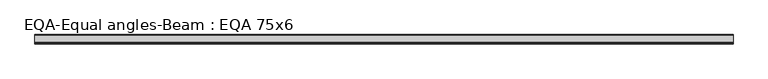
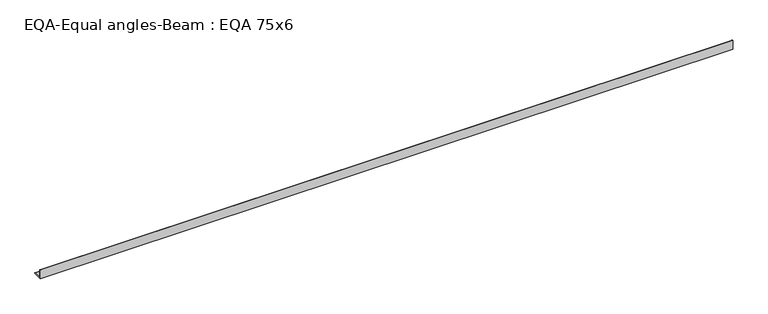
"""IFC4 building model written with IfcOpenShell, lengths in millimetres: beam geometry, EQA-Equal angles-Beam : EQA 75x6."""

from ifc_helpers import new_model, si_unit, point, frame, frame_2d, origin, place, context, project, spatial, polyline, circle_curve, trimmed, segment, composite_curve, outline, extrude, source, transform, mapped, element, save


def eqa_equal_angles_beam_eqa_75x6_0bb0bca7(model_context):
    return source(origin(), model_context, "Body", "SweptSolid", [
        extrude(outline(composite_curve([segment(polyline([(-20.5, -20.5), (-20.5, 54.5), (-19.0, 54.5)]), True, "CONTINUOUS"), segment(trimmed(circle_curve(frame_2d((-19.0, 50.0)), 4.5), [point((-19.0, 54.5))], [point((-14.5, 50.0))], False, "CARTESIAN"), True, "CONTINUOUS"), segment(polyline([(-14.5, 50.0), (-14.5, -5.5)]), True, "CONTINUOUS"), segment(trimmed(circle_curve(frame_2d((-5.5, -5.5)), 9.0), [point((-14.5, -5.5))], [point((-5.5, -14.5))], True, "CARTESIAN"), True, "CONTINUOUS"), segment(polyline([(-5.5, -14.5), (50.0, -14.5)]), True, "CONTINUOUS"), segment(trimmed(circle_curve(frame_2d((50.0, -19.0)), 4.5), [point((50.0, -14.5))], [point((54.5, -19.0))], False, "CARTESIAN"), True, "CONTINUOUS"), segment(polyline([(54.5, -19.0), (54.5, -20.5), (-20.5, -20.5)]), True, "CONTINUOUS")], self_intersect=False)), frame((-2686.1054304, 0.0, 0.0), z_axis=(1.0, 0.0, 0.0), x_axis=(0.0, 1.0, 0.0)), (0.0, 0.0, 1.0), 5526.0188934),
    ])


if __name__ == "__main__":
    model = new_model("IFC4")
    model_context = context("Model", 3, world=origin())
    ifc_project = project(units=[si_unit("LENGTHUNIT", "METRE", prefix="MILLI")], contexts=[model_context])
    site = spatial("IfcSite", under=ifc_project)
    building = spatial("IfcBuilding", under=site)
    placement = place(None, origin())
    eqa_equal_angles_beam_eqa_75x6_shape = eqa_equal_angles_beam_eqa_75x6_0bb0bca7(model_context)
    element("IfcBeam", 1, ObjectType="EQA-Equal angles-Beam : EQA 75x6", at=placement, inside=building, context=model_context, shape_type="MappedRepresentation", body=[
        mapped(eqa_equal_angles_beam_eqa_75x6_shape, transform((0.0, 0.0, 0.0), x_axis=(1.0, 0.0, 0.0), y_axis=(0.0, 1.0, 0.0), z_axis=(0.0, 0.0, 1.0))),
    ])
    save(model, "model.ifc")
